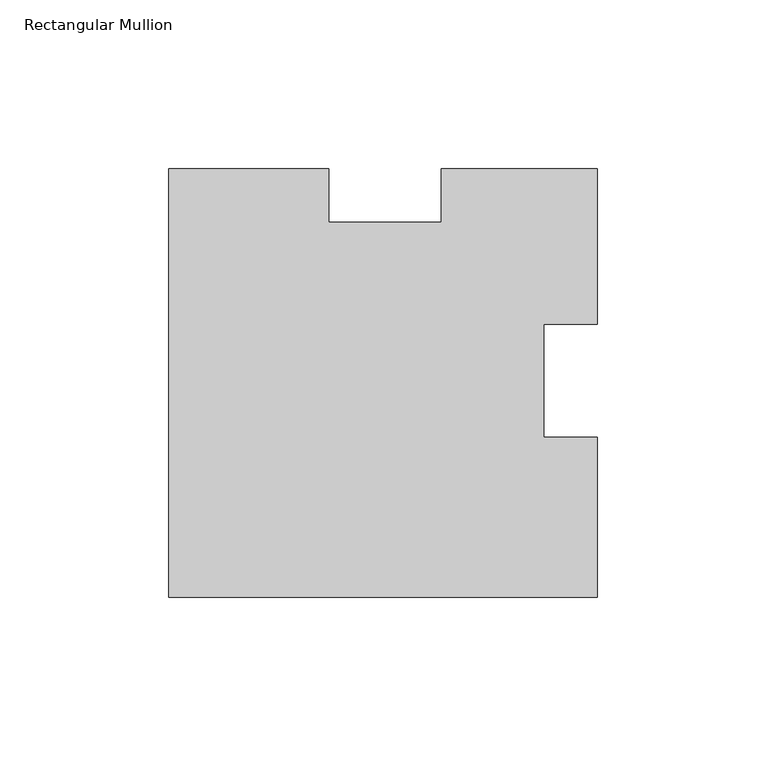
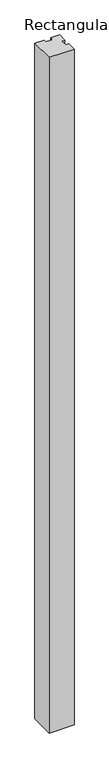
"""IFC4 building model written with IfcOpenShell, lengths in millimetres: member geometry, Rectangular Mullion."""

from ifc_helpers import new_model, si_unit, frame, origin, place, context, project, spatial, polyline, outline, extrude, source, transform, mapped, element, save


def rectangular_mullion_9fa71fd3(model_context):
    return source(origin(), model_context, "Body", "SweptSolid", [
        extrude(outline(polyline([(-127.0, 53.57495), (-79.5413201, 53.57495), (-79.5413201, 37.69995), (-46.1542791, 37.69995), (-46.1542791, 53.57495), (0.0, 53.57495), (0.0, 7.39204), (-15.875, 7.39204), (-15.875, -25.9995563), (0.0, -25.9995563), (0.0, -73.42505), (-127.0, -73.42505), (-127.0, 53.57495)])), frame((0.0, 0.0, -3657.6), z_axis=(0.0, 0.0, 1.0), x_axis=(1.0, 0.0, 0.0)), (0.0, 0.0, 1.0), 3657.6),
    ])


if __name__ == "__main__":
    model = new_model("IFC4")
    model_context = context("Model", 3, world=origin())
    ifc_project = project(units=[si_unit("LENGTHUNIT", "METRE", prefix="MILLI")], contexts=[model_context])
    site = spatial("IfcSite", under=ifc_project)
    building = spatial("IfcBuilding", under=site)
    placement = place(None, origin())
    rectangular_mullion_shape = rectangular_mullion_9fa71fd3(model_context)
    element("IfcMember", 1, ObjectType="Rectangular Mullion", at=placement, inside=building, context=model_context, shape_type="MappedRepresentation", body=[
        mapped(rectangular_mullion_shape, transform((0.0, 0.0, 0.0), x_axis=(1.0, 0.0, 0.0), y_axis=(0.0, 1.0, 0.0), z_axis=(0.0, 0.0, 1.0))),
    ])
    save(model, "model.ifc")
